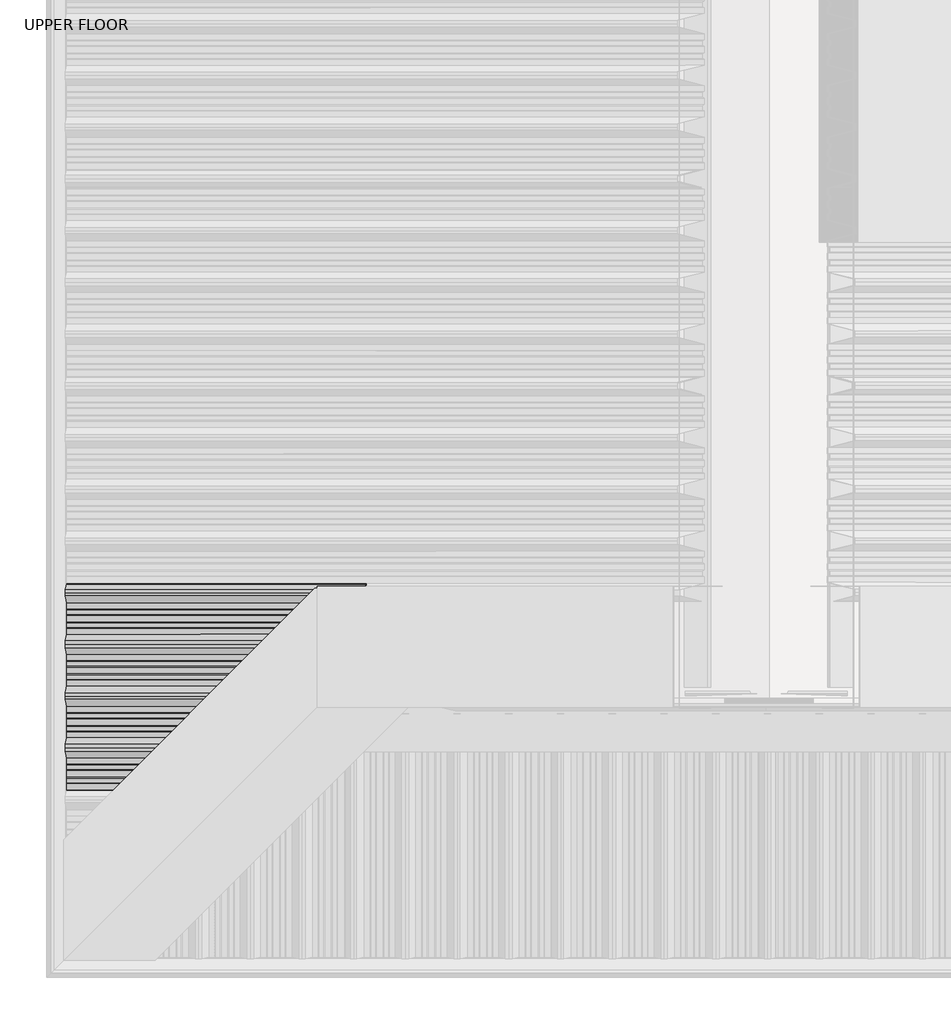
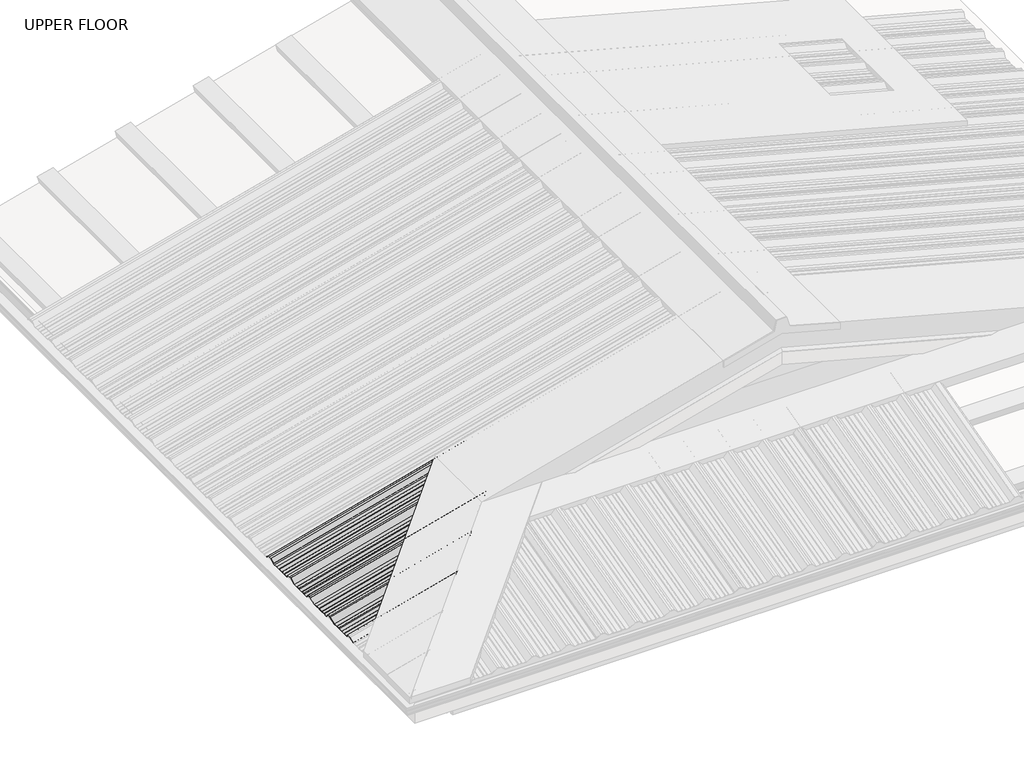
# One storey, part 3 of 8: 1 beam.
"""IFC4 building model written with IfcOpenShell, lengths in millimetres."""

from ifc_helpers import new_model, si_unit, frame, origin, place, context, project, spatial, circle_curve, ellipse_curve, element, save
from ifc_brep_helpers import plane_surface, cylinder_surface, advanced_brep

model = new_model("IFC4")

# Units and contexts
model_context = context("Model", 3, world=origin())
ifc_project = project(units=[si_unit("LENGTHUNIT", "METRE", prefix="MILLI")], contexts=[model_context])

# Site, building, storey
site = spatial("IfcSite", under=ifc_project)
building = spatial("IfcBuilding", under=site)
storey = spatial("IfcBuildingStorey", under=building, Name="UPPER FLOOR", Elevation=2700.0)

# Beam
placement = place(None, origin())
element("IfcBeam", 1, ObjectType="MC770", at=placement, inside=storey, context=model_context, shape_type="AdvancedBrep", body=[
    advanced_brep(
    [(513.0532022, -3545.0159364, 3562.3168455), (506.323907, -3519.4415222, 3587.430917), (506.323907, -3507.5160332, 3587.430917), (506.323907, -3495.5905442, 3587.430917), (513.0532022, -3470.0161299, 3562.3168455), (513.0532022, -3447.318475, 3562.3168455), (512.5251527, -3444.1034308, 3564.2875528), (512.5251527, -3427.6754395, 3564.2875528), (513.0532022, -3423.2951218, 3562.3168455), (513.0532022, -3399.2369445, 3562.3168455), (512.5251527, -3394.8566268, 3564.2875528), (512.5251527, -3378.4286356, 3564.2875528), (513.0532022, -3375.2135914, 3562.3168455), (513.0532022, -3352.5159364, 3562.3168455), (506.323907, -3326.9415222, 3587.430917), (506.323907, -3315.0160332, 3587.430917), (506.323907, -3303.0905442, 3587.430917), (511.4117811, -3283.7542842, 3568.4427122), (511.2084788, -3282.9687842, 3569.2014469), (506.0650879, -3302.5160332, 3588.3968428), (506.0650879, -3315.0160332, 3588.3968428), (506.0650879, -3327.5160332, 3588.3968428), (512.7943831, -3353.0904474, 3563.2827713), (512.7943831, -3374.9230769, 3563.2827713), (512.2663337, -3378.1381211, 3565.2534786), (512.2663337, -3395.0780903, 3565.2534786), (512.7943831, -3399.4584081, 3563.2827713), (512.7943831, -3423.0736583, 3563.2827713), (512.2663337, -3427.453976, 3565.2534786), (512.2663337, -3444.3939453, 3565.2534786), (512.7943831, -3447.6089895, 3563.2827713), (512.7943831, -3469.4416189, 3563.2827713), (506.0650879, -3495.0160332, 3588.3968428), (506.0650879, -3507.5160332, 3588.3968428), (506.0650879, -3520.0160332, 3588.3968428), (512.7943831, -3545.5904474, 3563.2827713), (512.7943831, -3562.5821881, 3563.2827713), (513.0532022, -3562.323369, 3562.3168455), (-602.6889742, -3930.0159364, 3263.3546304), (-602.6889742, -3952.7135914, 3263.3546304), (-603.2170236, -3955.9286356, 3265.3253377), (-603.2170236, -3972.3566268, 3265.3253377), (-602.6889742, -3976.7369445, 3263.3546304), (-602.6889742, -4000.7951218, 3263.3546304), (-603.2170236, -4005.1754395, 3265.3253377), (-603.2170236, -4021.6034308, 3265.3253377), (-602.6889742, -4024.818475, 3263.3546304), (-602.6889742, -4050.3215037, 3263.3546304), (-608.9006313, -4073.9286553, 3286.5368502), (-608.9006313, -4096.103411, 3286.5368502), (-603.675657, -4115.9607143, 3267.0369809), (-603.858676, -4116.6678451, 3267.7200169), (-609.1594503, -4096.5224666, 3287.5027761), (-609.1594503, -4073.5095998, 3287.5027761), (-602.9477932, -4049.9024481, 3264.3205562), (-602.9477932, -4025.1089895, 3264.3205562), (-603.4758427, -4021.8939453, 3266.2912635), (-603.4758427, -4004.953976, 3266.2912635), (-602.9477932, -4000.5736583, 3264.3205562), (-602.9477932, -3976.9584081, 3264.3205562), (-603.4758427, -3972.5780903, 3266.2912635), (-603.4758427, -3955.6381211, 3266.2912635), (-602.9477932, -3952.4230769, 3264.3205562), (-602.9477932, -3930.5904474, 3264.3205562), (-609.6770884, -3905.0160332, 3289.4346277), (-609.6770884, -3892.5160332, 3289.4346277), (-609.6770884, -3880.0160332, 3289.4346277), (-602.9477932, -3854.4416189, 3264.3205562), (-602.9477932, -3832.6089895, 3264.3205562), (-603.4758427, -3829.3939453, 3266.2912635), (-603.4758427, -3812.453976, 3266.2912635), (-602.9477932, -3808.0736583, 3264.3205562), (-602.9477932, -3784.4584081, 3264.3205562), (-603.4758427, -3780.0780903, 3266.2912635), (-603.4758427, -3763.1381211, 3266.2912635), (-602.9477932, -3759.9230769, 3264.3205562), (-602.9477932, -3738.0904474, 3264.3205562), (-609.6770884, -3712.5160332, 3289.4346277), (-609.6770884, -3700.0160332, 3289.4346277), (-609.6770884, -3687.5160332, 3289.4346277), (-602.9477932, -3661.9416189, 3264.3205562), (-602.9477932, -3640.1089895, 3264.3205562), (-603.4758427, -3636.8939453, 3266.2912635), (-603.4758427, -3619.953976, 3266.2912635), (-602.9477932, -3615.5736583, 3264.3205562), (-602.9477932, -3591.9584081, 3264.3205562), (-603.4758427, -3587.5780903, 3266.2912635), (-603.4758427, -3570.6381211, 3266.2912635), (-602.9477932, -3567.4230769, 3264.3205562), (-602.9477932, -3545.5904474, 3264.3205562), (-609.6770884, -3520.0160332, 3289.4346277), (-609.6770884, -3507.5160332, 3289.4346277), (-609.6770884, -3495.0160332, 3289.4346277), (-602.9477932, -3469.4416189, 3264.3205562), (-602.9477932, -3447.6089895, 3264.3205562), (-603.4758427, -3444.3939453, 3266.2912635), (-603.4758427, -3427.453976, 3266.2912635), (-602.9477932, -3423.0736583, 3264.3205562), (-602.9477932, -3399.4584081, 3264.3205562), (-603.4758427, -3395.0780903, 3266.2912635), (-603.4758427, -3378.1381211, 3266.2912635), (-602.9477932, -3374.9230769, 3264.3205562), (-602.9477932, -3353.0904474, 3264.3205562), (-609.6770884, -3327.5160332, 3289.4346277), (-609.6770884, -3315.0160332, 3289.4346277), (-609.6770884, -3302.5160332, 3289.4346277), (-604.5336976, -3282.9687842, 3270.2392318), (-604.3303952, -3283.7542842, 3269.4804971), (-609.4182694, -3303.0905442, 3288.4687019), (-609.4182694, -3315.0160332, 3288.4687019), (-609.4182694, -3326.9415222, 3288.4687019), (-602.6889742, -3352.5159364, 3263.3546304), (-602.6889742, -3375.2135914, 3263.3546304), (-603.2170236, -3378.4286356, 3265.3253377), (-603.2170236, -3394.8566268, 3265.3253377), (-602.6889742, -3399.2369445, 3263.3546304), (-602.6889742, -3423.2951218, 3263.3546304), (-603.2170236, -3427.6754395, 3265.3253377), (-603.2170236, -3444.1034308, 3265.3253377), (-602.6889742, -3447.318475, 3263.3546304), (-602.6889742, -3470.0161299, 3263.3546304), (-609.4182694, -3495.5905442, 3288.4687019), (-609.4182694, -3507.5160332, 3288.4687019), (-609.4182694, -3519.4415222, 3288.4687019), (-602.6889742, -3545.0159364, 3263.3546304), (-602.6889742, -3567.7135914, 3263.3546304), (-603.2170236, -3570.9286356, 3265.3253377), (-603.2170236, -3587.3566268, 3265.3253377), (-602.6889742, -3591.7369445, 3263.3546304), (-602.6889742, -3615.7951218, 3263.3546304), (-603.2170236, -3620.1754395, 3265.3253377), (-603.2170236, -3636.6034308, 3265.3253377), (-602.6889742, -3639.818475, 3263.3546304), (-602.6889742, -3662.5161299, 3263.3546304), (-609.4182694, -3688.0905442, 3288.4687019), (-609.4182694, -3700.0160332, 3288.4687019), (-609.4182694, -3711.9415222, 3288.4687019), (-602.6889742, -3737.5159364, 3263.3546304), (-602.6889742, -3760.2135914, 3263.3546304), (-603.2170236, -3763.4286356, 3265.3253377), (-603.2170236, -3779.8566268, 3265.3253377), (-602.6889742, -3784.2369445, 3263.3546304), (-602.6889742, -3808.2951218, 3263.3546304), (-603.2170236, -3812.6754395, 3265.3253377), (-603.2170236, -3829.1034308, 3265.3253377), (-602.6889742, -3832.318475, 3263.3546304), (-602.6889742, -3855.0161299, 3263.3546304), (-609.4182694, -3880.5905442, 3288.4687019), (-609.4182694, -3892.5160332, 3288.4687019), (-609.4182694, -3904.4415222, 3288.4687019), (315.1629798, -3760.2135914, 3509.2923202), (311.9479357, -3763.4286356, 3510.5430495), (337.8606348, -3737.5159364, 3515.3741386), (363.435049, -3711.9415222, 3549.1439629), (375.360538, -3700.0160332, 3552.339388), (387.286027, -3688.0905442, 3555.5348132), (412.8604413, -3662.5161299, 3535.4702761), (435.5580963, -3639.818475, 3541.5520945), (438.7731404, -3636.6034308, 3544.5257607), (455.2011317, -3620.1754395, 3548.9276277), (459.5814494, -3615.7951218, 3547.9891325), (483.6396267, -3591.7369445, 3554.4355017), (488.0199444, -3587.3566268, 3557.721402), (504.4479357, -3570.9286356, 3562.123269), (507.6629798, -3567.7135914, 3560.8725398), (507.9534943, -3567.4230769, 3561.9856591), (504.7384502, -3570.6381211, 3563.2363883), (487.7984809, -3587.5780903, 3558.6973372), (483.4181632, -3591.9584081, 3555.4114369), (459.8029129, -3615.5736583, 3549.0837497), (455.4225952, -3619.953976, 3550.0222448), (438.4826259, -3636.8939453, 3545.4831937), (435.2675818, -3640.1089895, 3542.5095275), (413.4349523, -3661.9416189, 3536.6594921), (387.860538, -3687.5160332, 3556.7240291), (375.360538, -3700.0160332, 3553.3746642), (362.860538, -3712.5160332, 3550.0252993), (337.2861238, -3738.0904474, 3516.255475), (315.4534943, -3759.9230769, 3510.4054396), (312.2384502, -3763.1381211, 3511.6561688), (295.2984809, -3780.0780903, 3507.1171177), (290.9181632, -3784.4584081, 3503.8312174), (267.3029129, -3808.0736583, 3497.5035302), (262.9225952, -3812.453976, 3498.4420253), (245.9826259, -3829.3939453, 3493.9029742), (242.7675818, -3832.6089895, 3490.929308), (220.9349523, -3854.4416189, 3485.0792725), (195.360538, -3880.0160332, 3505.1438096), (182.860538, -3892.5160332, 3501.7944447), (170.360538, -3905.0160332, 3498.4450798), (144.7861238, -3930.5904474, 3464.6752554), (122.9534943, -3952.4230769, 3458.82522), (119.7384502, -3955.6381211, 3460.0759492), (102.7984809, -3972.5780903, 3455.5368981), (98.4181632, -3976.9584081, 3452.2509978), (74.8029129, -4000.5736583, 3445.9233106), (70.4225952, -4004.953976, 3446.8618057), (53.4826259, -4021.8939453, 3442.3227546), (50.2675818, -4025.1089895, 3439.3490884), (25.4741231, -4049.9024481, 3432.7057012), (1.8669715, -4073.5095998, 3451.2268123), (-21.1458954, -4096.5224666, 3445.0605332), (-41.2912739, -4116.6678451, 3418.459498), (-40.5841431, -4115.9607143, 3417.9168974), (-20.7268398, -4096.103411, 3444.1375427), (1.4479159, -4073.9286553, 3450.0792505), (25.0550675, -4050.3215037, 3431.5581394), (50.5580963, -4024.818475, 3438.3916554), (53.7731404, -4021.6034308, 3441.3653216), (70.2011317, -4005.1754395, 3445.7671886), (74.5814494, -4000.7951218, 3444.8286935), (98.6396267, -3976.7369445, 3451.2750626), (103.0199444, -3972.3566268, 3454.5609629), (119.4479357, -3955.9286356, 3458.9628299), (122.6629798, -3952.7135914, 3457.7121007), (145.3606348, -3930.0159364, 3463.793919), (170.935049, -3904.4415222, 3497.5637434), (182.860538, -3892.5160332, 3500.7591685), (194.786027, -3880.5905442, 3503.9545937), (220.3604413, -3855.0161299, 3483.8900566), (243.0580963, -3832.318475, 3489.9718749), (246.2731404, -3829.1034308, 3492.9455411), (262.7011317, -3812.6754395, 3497.3474081), (267.0814494, -3808.2951218, 3496.408913), (291.1396267, -3784.2369445, 3502.8552822), (295.5199444, -3779.8566268, 3506.1411825)],
    [
        (0, 1),
        (1, 2),
        (2, 3),
        (3, 4),
        (4, 5),
        (5, 6),
        (6, 7),
        (7, 8),
        (8, 9),
        (9, 10),
        (10, 11),
        (11, 12),
        (12, 13),
        (13, 14),
        (14, 15),
        (15, 16),
        (16, 17),
        (17, 18, circle_curve(frame((511.3092911, -3283.3647751, 3568.82521), z_axis=(0.9659258262890683, 0.0, 0.2588190451025208), x_axis=(0.0, 1.0, 0.0)), 0.5554513)),
        (18, 19),
        (19, 20),
        (20, 21),
        (21, 22),
        (22, 23),
        (23, 24),
        (24, 25),
        (25, 26),
        (26, 27),
        (27, 28),
        (28, 29),
        (29, 30),
        (30, 31),
        (31, 32),
        (32, 33),
        (33, 34),
        (34, 35),
        (35, 36),
        (36, 37),
        (37, 0),
        (38, 39),
        (39, 40),
        (40, 41),
        (41, 42),
        (42, 43),
        (43, 44),
        (44, 45),
        (45, 46),
        (46, 47),
        (47, 48),
        (48, 49),
        (49, 50),
        (50, 51, circle_curve(frame((-603.7679216, -4116.3113621, 3267.3813171), z_axis=(-0.9659258262890683, 0.0, -0.2588190451025208), x_axis=(0.0, 1.0, 0.0)), 0.500034)),
        (51, 52),
        (52, 53),
        (53, 54),
        (54, 55),
        (55, 56),
        (56, 57),
        (57, 58),
        (58, 59),
        (59, 60),
        (60, 61),
        (61, 62),
        (62, 63),
        (63, 64),
        (64, 65),
        (65, 66),
        (66, 67),
        (67, 68),
        (68, 69),
        (69, 70),
        (70, 71),
        (71, 72),
        (72, 73),
        (73, 74),
        (74, 75),
        (75, 76),
        (76, 77),
        (77, 78),
        (78, 79),
        (79, 80),
        (80, 81),
        (81, 82),
        (82, 83),
        (83, 84),
        (84, 85),
        (85, 86),
        (86, 87),
        (87, 88),
        (88, 89),
        (89, 90),
        (90, 91),
        (91, 92),
        (92, 93),
        (93, 94),
        (94, 95),
        (95, 96),
        (96, 97),
        (97, 98),
        (98, 99),
        (99, 100),
        (100, 101),
        (101, 102),
        (102, 103),
        (103, 104),
        (104, 105),
        (105, 106),
        (106, 107, circle_curve(frame((-604.4328852, -3283.3647751, 3269.8629949), z_axis=(-0.9659258262890683, 0.0, -0.2588190451025208), x_axis=(0.0, 1.0, 0.0)), 0.5554513)),
        (107, 108),
        (108, 109),
        (109, 110),
        (110, 111),
        (111, 112),
        (112, 113),
        (113, 114),
        (114, 115),
        (115, 116),
        (116, 117),
        (117, 118),
        (118, 119),
        (119, 120),
        (120, 121),
        (121, 122),
        (122, 123),
        (123, 124),
        (124, 125),
        (125, 126),
        (126, 127),
        (127, 128),
        (128, 129),
        (129, 130),
        (130, 131),
        (131, 132),
        (132, 133),
        (133, 134),
        (134, 135),
        (135, 136),
        (136, 137),
        (137, 138),
        (138, 139),
        (139, 140),
        (140, 141),
        (141, 142),
        (142, 143),
        (143, 144),
        (144, 145),
        (145, 146),
        (146, 147),
        (147, 148),
        (148, 149),
        (149, 38),
        (138, 150),
        (150, 151),
        (151, 139),
        (137, 152),
        (152, 150),
        (136, 153),
        (153, 152),
        (135, 154),
        (154, 153),
        (134, 155),
        (155, 154),
        (133, 156),
        (156, 155),
        (132, 157),
        (157, 156),
        (131, 158),
        (158, 157),
        (130, 159),
        (159, 158),
        (129, 160),
        (160, 159),
        (128, 161),
        (161, 160),
        (127, 162),
        (162, 161),
        (126, 163),
        (163, 162),
        (125, 164),
        (164, 163),
        (124, 0),
        (37, 164),
        (123, 1),
        (122, 2),
        (121, 3),
        (120, 4),
        (119, 5),
        (118, 6),
        (117, 7),
        (116, 8),
        (115, 9),
        (114, 10),
        (113, 11),
        (112, 12),
        (111, 13),
        (110, 14),
        (109, 15),
        (108, 16),
        (107, 17),
        (106, 18),
        (105, 19),
        (104, 20),
        (103, 21),
        (102, 22),
        (101, 23),
        (100, 24),
        (99, 25),
        (98, 26),
        (97, 27),
        (96, 28),
        (95, 29),
        (94, 30),
        (93, 31),
        (92, 32),
        (91, 33),
        (90, 34),
        (89, 35),
        (88, 165),
        (165, 36),
        (87, 166),
        (166, 165),
        (86, 167),
        (167, 166),
        (85, 168),
        (168, 167),
        (84, 169),
        (169, 168),
        (83, 170),
        (170, 169),
        (82, 171),
        (171, 170),
        (81, 172),
        (172, 171),
        (80, 173),
        (173, 172),
        (79, 174),
        (174, 173),
        (78, 175),
        (175, 174),
        (77, 176),
        (176, 175),
        (76, 177),
        (177, 176),
        (75, 178),
        (178, 177),
        (74, 179),
        (179, 178),
        (73, 180),
        (180, 179),
        (72, 181),
        (181, 180),
        (71, 182),
        (182, 181),
        (70, 183),
        (183, 182),
        (69, 184),
        (184, 183),
        (68, 185),
        (185, 184),
        (67, 186),
        (186, 185),
        (66, 187),
        (187, 186),
        (65, 188),
        (188, 187),
        (64, 189),
        (189, 188),
        (63, 190),
        (190, 189),
        (62, 191),
        (191, 190),
        (61, 192),
        (192, 191),
        (60, 193),
        (193, 192),
        (59, 194),
        (194, 193),
        (58, 195),
        (195, 194),
        (57, 196),
        (196, 195),
        (56, 197),
        (197, 196),
        (55, 198),
        (198, 197),
        (54, 199),
        (199, 198),
        (53, 200),
        (200, 199),
        (52, 201),
        (201, 200),
        (51, 202),
        (202, 201),
        (50, 203),
        (203, 202, ellipse_curve(frame((-40.9347909, -4116.3113621, 3418.1919999), z_axis=(-0.7071067811865475, 0.7071067811865476, 0.0), x_axis=(0.6612248329466448, 0.6612248329466447, 0.3543493200069156)), 0.7321007, 0.500034)),
        (49, 204),
        (204, 203),
        (48, 205),
        (205, 204),
        (47, 206),
        (206, 205),
        (46, 207),
        (207, 206),
        (45, 208),
        (208, 207),
        (44, 209),
        (209, 208),
        (43, 210),
        (210, 209),
        (42, 211),
        (211, 210),
        (41, 212),
        (212, 211),
        (40, 213),
        (213, 212),
        (39, 214),
        (214, 213),
        (38, 215),
        (215, 214),
        (149, 216),
        (216, 215),
        (148, 217),
        (217, 216),
        (147, 218),
        (218, 217),
        (146, 219),
        (219, 218),
        (145, 220),
        (220, 219),
        (144, 221),
        (221, 220),
        (143, 222),
        (222, 221),
        (142, 223),
        (223, 222),
        (141, 224),
        (224, 223),
        (140, 225),
        (225, 224),
        (151, 225),
    ],
    [
        plane_surface(frame((513.0532022, -3930.0159364, 3562.3168455), z_axis=(0.9659258262890684, 0.0, 0.2588190451025208), x_axis=(-0.18451661822206494, 0.701247947787027, 0.6886253940455405))),
        plane_surface(frame((-602.6889742, -3930.0159364, 3263.3546304), z_axis=(-0.9659258262890684, 0.0, -0.2588190451025208), x_axis=(0.18451661822206494, -0.701247947787027, -0.6886253940455405))),
        plane_surface(frame((512.5251527, -3763.4286356, 3564.2875528), z_axis=(0.2185313076918745, -0.5358075541289664, -0.8155699433505468), x_axis=(-0.9659258262890683, 0.0, -0.2588190451025208))),
        plane_surface(frame((513.0532022, -3760.2135914, 3562.3168455), z_axis=(0.2588190451025208, 0.0, -0.9659258262890683), x_axis=(-0.9659258262890683, 0.0, -0.2588190451025208))),
        plane_surface(frame((513.0532022, -3737.5159364, 3562.3168455), z_axis=(0.18149632422634646, 0.7129174676808379, -0.6773535033997141), x_axis=(-0.9659258262890683, 0.0, -0.2588190451025208))),
        plane_surface(frame((506.323907, -3711.9415222, 3587.430917), z_axis=(0.2588190451025208, 0.0, -0.9659258262890683), x_axis=(-0.9659258262890683, 0.0, -0.2588190451025208))),
        plane_surface(frame((506.323907, -3700.0160332, 3587.430917), z_axis=(0.25881904510252085, 0.0, -0.9659258262890683), x_axis=(-0.9659258262890683, 0.0, -0.25881904510252085))),
        plane_surface(frame((506.323907, -3688.0905442, 3587.430917), z_axis=(0.18149632422633932, -0.7129174676808558, -0.6773535033996971), x_axis=(-0.9659258262890683, 0.0, -0.25881904510252085))),
        plane_surface(frame((513.0532022, -3662.5161299, 3562.3168455), z_axis=(0.2588190451025208, 0.0, -0.9659258262890683), x_axis=(-0.9659258262890683, 0.0, -0.2588190451025208))),
        plane_surface(frame((513.0532022, -3639.818475, 3562.3168455), z_axis=(0.21853130769187762, 0.5358075541289586, -0.815569943350551), x_axis=(-0.9659258262890683, 0.0, -0.25881904510252074))),
        plane_surface(frame((512.5251527, -3636.6034308, 3564.2875528), z_axis=(0.2588190451025208, 0.0, -0.9659258262890683), x_axis=(-0.9659258262890683, 0.0, -0.2588190451025208))),
        plane_surface(frame((512.5251527, -3620.1754395, 3564.2875528), z_axis=(0.23461789175161413, -0.42221886042245477, -0.8756058923817219), x_axis=(-0.9659258262890683, 0.0, -0.2588190451025208))),
        plane_surface(frame((513.0532022, -3615.7951218, 3562.3168455), z_axis=(0.2588190451025208, 0.0, -0.9659258262890683), x_axis=(-0.9659258262890683, 0.0, -0.2588190451025208))),
        plane_surface(frame((513.0532022, -3591.7369445, 3562.3168455), z_axis=(0.2346178917516172, 0.42221886042244255, -0.8756058923817271), x_axis=(-0.9659258262890683, 0.0, -0.25881904510252085))),
        plane_surface(frame((512.5251527, -3587.3566268, 3564.2875528), z_axis=(0.2588190451025208, 0.0, -0.9659258262890683), x_axis=(-0.9659258262890683, 0.0, -0.2588190451025208))),
        plane_surface(frame((512.5251527, -3570.9286356, 3564.2875528), z_axis=(0.21853130769187556, -0.5358075541289601, -0.8155699433505508), x_axis=(-0.9659258262890683, 0.0, -0.25881904510252085))),
        plane_surface(frame((513.0532022, -3567.7135914, 3562.3168455), z_axis=(0.2588190451025208, 0.0, -0.9659258262890683), x_axis=(-0.9659258262890683, 0.0, -0.2588190451025208))),
        plane_surface(frame((513.0532022, -3545.0159364, 3562.3168455), z_axis=(0.18149632422634204, 0.7129174676808547, -0.6773535033996975), x_axis=(-0.9659258262890683, 0.0, -0.2588190451025208))),
        plane_surface(frame((506.323907, -3519.4415222, 3587.430917), z_axis=(0.2588190451025208, 0.0, -0.9659258262890683), x_axis=(-0.9659258262890683, 0.0, -0.2588190451025208))),
        plane_surface(frame((506.323907, -3507.5160332, 3587.430917), z_axis=(0.2588190451025208, 0.0, -0.9659258262890683), x_axis=(-0.9659258262890683, 0.0, -0.2588190451025208))),
        plane_surface(frame((506.323907, -3495.5905442, 3587.430917), z_axis=(0.18149632422634027, -0.7129174676808522, -0.6773535033997008), x_axis=(-0.9659258262890683, 0.0, -0.25881904510252085))),
        plane_surface(frame((513.0532022, -3470.0161299, 3562.3168455), z_axis=(0.25881904510252074, 0.0, -0.9659258262890683), x_axis=(-0.9659258262890683, 0.0, -0.25881904510252074))),
        plane_surface(frame((513.0532022, -3447.318475, 3562.3168455), z_axis=(0.21853130769187765, 0.5358075541289586, -0.815569943350551), x_axis=(-0.9659258262890683, 0.0, -0.25881904510252085))),
        plane_surface(frame((512.5251527, -3444.1034308, 3564.2875528), z_axis=(0.25881904510252074, 0.0, -0.9659258262890683), x_axis=(-0.9659258262890683, 0.0, -0.25881904510252074))),
        plane_surface(frame((512.5251527, -3427.6754395, 3564.2875528), z_axis=(0.23461789175161538, -0.422218860422444, -0.8756058923817268), x_axis=(-0.9659258262890683, 0.0, -0.25881904510252074))),
        plane_surface(frame((513.0532022, -3423.2951218, 3562.3168455), z_axis=(0.2588190451025208, 0.0, -0.9659258262890683), x_axis=(-0.9659258262890683, 0.0, -0.2588190451025208))),
        plane_surface(frame((513.0532022, -3399.2369445, 3562.3168455), z_axis=(0.2346178917516171, 0.42221886042244255, -0.875605892381727), x_axis=(-0.9659258262890683, 0.0, -0.25881904510252085))),
        plane_surface(frame((512.5251527, -3394.8566268, 3564.2875528), z_axis=(0.25881904510252085, 0.0, -0.9659258262890683), x_axis=(-0.9659258262890683, 0.0, -0.25881904510252085))),
        plane_surface(frame((512.5251527, -3378.4286356, 3564.2875528), z_axis=(0.2185313076918756, -0.5358075541289601, -0.8155699433505507), x_axis=(-0.9659258262890683, 0.0, -0.2588190451025208))),
        plane_surface(frame((513.0532022, -3375.2135914, 3562.3168455), z_axis=(0.25881904510252074, 0.0, -0.9659258262890683), x_axis=(-0.9659258262890683, 0.0, -0.25881904510252074))),
        plane_surface(frame((513.0532022, -3352.5159364, 3562.3168455), z_axis=(0.18149632422634257, 0.712917467680853, -0.6773535033996995), x_axis=(-0.9659258262890683, 0.0, -0.25881904510252085))),
        plane_surface(frame((506.323907, -3326.9415222, 3587.430917), z_axis=(0.25881904510252074, 0.0, -0.9659258262890683), x_axis=(-0.9659258262890683, 0.0, -0.25881904510252074))),
        plane_surface(frame((506.323907, -3315.0160332, 3587.430917), z_axis=(0.2588190451025208, 0.0, -0.9659258262890683), x_axis=(-0.9659258262890683, 0.0, -0.2588190451025208))),
        plane_surface(frame((506.323907, -3303.0905442, 3587.430917), z_axis=(0.18149632422633402, -0.7129174676808756, -0.6773535033996778), x_axis=(-0.9659258262890683, 0.0, -0.2588190451025208))),
        cylinder_surface(frame((-604.4328852, -3283.3647751, 3269.8629949), z_axis=(0.9659258262890683, 0.0, 0.2588190451025208), x_axis=(0.0, 1.0, 0.0)), 0.5554513),
        plane_surface(frame((511.2084788, -3282.9687842, 3569.2014469), z_axis=(-0.18149632422632994, 0.7129174676808914, 0.6773535033996623), x_axis=(-0.9659258262890683, 0.0, -0.2588190451025208))),
        plane_surface(frame((506.0650879, -3302.5160332, 3588.3968428), z_axis=(-0.2588190451025208, 0.0, 0.9659258262890683), x_axis=(-0.9659258262890683, 0.0, -0.2588190451025208))),
        plane_surface(frame((506.0650879, -3315.0160332, 3588.3968428), z_axis=(-0.2588190451025208, 0.0, 0.9659258262890683), x_axis=(-0.9659258262890683, 0.0, -0.2588190451025208))),
        plane_surface(frame((506.0650879, -3327.5160332, 3588.3968428), z_axis=(-0.18149632422634235, -0.7129174676808534, 0.6773535033996989), x_axis=(-0.9659258262890683, 0.0, -0.25881904510252074))),
        plane_surface(frame((512.7943831, -3353.0904474, 3563.2827713), z_axis=(-0.2588190451025208, 0.0, 0.9659258262890683), x_axis=(-0.9659258262890683, 0.0, -0.2588190451025208))),
        plane_surface(frame((512.7943831, -3374.9230769, 3563.2827713), z_axis=(-0.21853130769187457, 0.5358075541289664, 0.8155699433505468), x_axis=(-0.9659258262890683, 0.0, -0.25881904510252074))),
        plane_surface(frame((512.2663337, -3378.1381211, 3565.2534786), z_axis=(-0.25881904510252085, 0.0, 0.9659258262890683), x_axis=(-0.9659258262890683, 0.0, -0.25881904510252085))),
        plane_surface(frame((512.2663337, -3395.0780903, 3565.2534786), z_axis=(-0.2346178917516165, -0.42221886042244827, 0.8756058923817245), x_axis=(-0.9659258262890683, 0.0, -0.25881904510252085))),
        plane_surface(frame((512.7943831, -3399.4584081, 3563.2827713), z_axis=(-0.25881904510252074, 0.0, 0.9659258262890683), x_axis=(-0.9659258262890683, 0.0, -0.25881904510252074))),
        plane_surface(frame((512.7943831, -3423.0736583, 3563.2827713), z_axis=(-0.23461789175161482, 0.4222188604224497, 0.8756058923817241), x_axis=(-0.9659258262890683, 0.0, -0.2588190451025208))),
        plane_surface(frame((512.2663337, -3427.453976, 3565.2534786), z_axis=(-0.25881904510252074, 0.0, 0.9659258262890683), x_axis=(-0.9659258262890683, 0.0, -0.25881904510252074))),
        plane_surface(frame((512.2663337, -3444.3939453, 3565.2534786), z_axis=(-0.2185313076918766, -0.535807554128965, 0.8155699433505472), x_axis=(-0.9659258262890683, 0.0, -0.25881904510252085))),
        plane_surface(frame((512.7943831, -3447.6089895, 3563.2827713), z_axis=(-0.25881904510252085, 0.0, 0.9659258262890683), x_axis=(-0.9659258262890683, 0.0, -0.25881904510252085))),
        plane_surface(frame((512.7943831, -3469.4416189, 3563.2827713), z_axis=(-0.1814963242263403, 0.7129174676808526, 0.6773535033997005), x_axis=(-0.9659258262890683, 0.0, -0.25881904510252085))),
        plane_surface(frame((506.0650879, -3495.0160332, 3588.3968428), z_axis=(-0.2588190451025208, 0.0, 0.9659258262890683), x_axis=(-0.9659258262890683, 0.0, -0.2588190451025208))),
        plane_surface(frame((506.0650879, -3507.5160332, 3588.3968428), z_axis=(-0.25881904510252085, 0.0, 0.9659258262890683), x_axis=(-0.9659258262890683, 0.0, -0.25881904510252085))),
        plane_surface(frame((506.0650879, -3520.0160332, 3588.3968428), z_axis=(-0.18149632422634207, -0.7129174676808547, 0.6773535033996975), x_axis=(-0.9659258262890683, 0.0, -0.25881904510252085))),
        plane_surface(frame((512.7943831, -3545.5904474, 3563.2827713), z_axis=(-0.25881904510252074, 0.0, 0.9659258262890683), x_axis=(-0.9659258262890683, 0.0, -0.25881904510252074))),
        plane_surface(frame((512.7943831, -3567.4230769, 3563.2827713), z_axis=(-0.2185313076918755, 0.5358075541289601, 0.8155699433505507), x_axis=(-0.9659258262890683, 0.0, -0.25881904510252074))),
        plane_surface(frame((512.2663337, -3570.6381211, 3565.2534786), z_axis=(-0.25881904510252085, 0.0, 0.9659258262890683), x_axis=(-0.9659258262890683, 0.0, -0.25881904510252085))),
        plane_surface(frame((512.2663337, -3587.5780903, 3565.2534786), z_axis=(-0.23461789175161712, -0.42221886042244255, 0.875605892381727), x_axis=(-0.9659258262890683, 0.0, -0.2588190451025208))),
        plane_surface(frame((512.7943831, -3591.9584081, 3563.2827713), z_axis=(-0.25881904510252085, 0.0, 0.9659258262890683), x_axis=(-0.9659258262890683, 0.0, -0.25881904510252085))),
        plane_surface(frame((512.7943831, -3615.5736583, 3563.2827713), z_axis=(-0.23461789175161415, 0.42221886042245477, 0.8756058923817219), x_axis=(-0.9659258262890683, 0.0, -0.2588190451025208))),
        plane_surface(frame((512.2663337, -3619.953976, 3565.2534786), z_axis=(-0.2588190451025208, 0.0, 0.9659258262890683), x_axis=(-0.9659258262890683, 0.0, -0.2588190451025208))),
        plane_surface(frame((512.2663337, -3636.8939453, 3565.2534786), z_axis=(-0.21853130769187767, -0.5358075541289586, 0.815569943350551), x_axis=(-0.9659258262890683, 0.0, -0.2588190451025208))),
        plane_surface(frame((512.7943831, -3640.1089895, 3563.2827713), z_axis=(-0.25881904510252085, 0.0, 0.9659258262890683), x_axis=(-0.9659258262890683, 0.0, -0.25881904510252085))),
        plane_surface(frame((512.7943831, -3661.9416189, 3563.2827713), z_axis=(-0.18149632422633924, 0.7129174676808558, 0.6773535033996971), x_axis=(-0.9659258262890683, 0.0, -0.2588190451025208))),
        plane_surface(frame((506.0650879, -3687.5160332, 3588.3968428), z_axis=(-0.2588190451025208, 0.0, 0.9659258262890683), x_axis=(-0.9659258262890683, 0.0, -0.2588190451025208))),
        plane_surface(frame((506.0650879, -3700.0160332, 3588.3968428), z_axis=(-0.2588190451025208, 0.0, 0.9659258262890683), x_axis=(-0.9659258262890683, 0.0, -0.2588190451025208))),
        plane_surface(frame((506.0650879, -3712.5160332, 3588.3968428), z_axis=(-0.18149632422634648, -0.7129174676808377, 0.6773535033997141), x_axis=(-0.9659258262890683, 0.0, -0.2588190451025208))),
        plane_surface(frame((512.7943831, -3738.0904474, 3563.2827713), z_axis=(-0.2588190451025208, 0.0, 0.9659258262890683), x_axis=(-0.9659258262890683, 0.0, -0.2588190451025208))),
        plane_surface(frame((512.7943831, -3759.9230769, 3563.2827713), z_axis=(-0.21853130769187454, 0.5358075541289664, 0.8155699433505468), x_axis=(-0.9659258262890683, 0.0, -0.2588190451025208))),
        plane_surface(frame((512.2663337, -3763.1381211, 3565.2534786), z_axis=(-0.2588190451025208, 0.0, 0.9659258262890683), x_axis=(-0.9659258262890683, 0.0, -0.2588190451025208))),
        plane_surface(frame((512.2663337, -3780.0780903, 3565.2534786), z_axis=(-0.23461789175161646, -0.4222188604224483, 0.8756058923817245), x_axis=(-0.9659258262890683, 0.0, -0.2588190451025208))),
        plane_surface(frame((512.7943831, -3784.4584081, 3563.2827713), z_axis=(-0.2588190451025208, 0.0, 0.9659258262890683), x_axis=(-0.9659258262890683, 0.0, -0.2588190451025208))),
        plane_surface(frame((512.7943831, -3808.0736583, 3563.2827713), z_axis=(-0.23461789175161477, 0.4222188604224497, 0.8756058923817241), x_axis=(-0.9659258262890683, 0.0, -0.2588190451025208))),
        plane_surface(frame((512.2663337, -3812.453976, 3565.2534786), z_axis=(-0.2588190451025208, 0.0, 0.9659258262890683), x_axis=(-0.9659258262890683, 0.0, -0.2588190451025208))),
        plane_surface(frame((512.2663337, -3829.3939453, 3565.2534786), z_axis=(-0.21853130769187729, -0.5358075541289609, 0.8155699433505497), x_axis=(-0.9659258262890683, 0.0, -0.2588190451025208))),
        plane_surface(frame((512.7943831, -3832.6089895, 3563.2827713), z_axis=(-0.2588190451025208, 0.0, 0.9659258262890683), x_axis=(-0.9659258262890683, 0.0, -0.2588190451025208))),
        plane_surface(frame((512.7943831, -3854.4416189, 3563.2827713), z_axis=(-0.18149632422633927, 0.7129174676808558, 0.6773535033996971), x_axis=(-0.9659258262890683, 0.0, -0.2588190451025208))),
        plane_surface(frame((506.0650879, -3880.0160332, 3588.3968428), z_axis=(-0.2588190451025208, 0.0, 0.9659258262890683), x_axis=(-0.9659258262890683, 0.0, -0.2588190451025208))),
        plane_surface(frame((506.0650879, -3892.5160332, 3588.3968428), z_axis=(-0.2588190451025208, 0.0, 0.9659258262890683), x_axis=(-0.9659258262890683, 0.0, -0.2588190451025208))),
        plane_surface(frame((506.0650879, -3905.0160332, 3588.3968428), z_axis=(-0.18149632422634215, -0.7129174676808543, 0.677353503399698), x_axis=(-0.9659258262890683, 0.0, -0.2588190451025208))),
        plane_surface(frame((512.7943831, -3930.5904474, 3563.2827713), z_axis=(-0.2588190451025208, 0.0, 0.9659258262890683), x_axis=(-0.9659258262890683, 0.0, -0.2588190451025208))),
        plane_surface(frame((512.7943831, -3952.4230769, 3563.2827713), z_axis=(-0.2185313076918745, 0.5358075541289664, 0.8155699433505468), x_axis=(-0.9659258262890683, 0.0, -0.2588190451025208))),
        plane_surface(frame((512.2663337, -3955.6381211, 3565.2534786), z_axis=(-0.2588190451025208, 0.0, 0.9659258262890683), x_axis=(-0.9659258262890683, 0.0, -0.2588190451025208))),
        plane_surface(frame((512.2663337, -3972.5780903, 3565.2534786), z_axis=(-0.2346178917516158, -0.42221886042245366, 0.875605892381722), x_axis=(-0.9659258262890683, 0.0, -0.2588190451025208))),
        plane_surface(frame((512.7943831, -3976.9584081, 3563.2827713), z_axis=(-0.2588190451025208, 0.0, 0.9659258262890683), x_axis=(-0.9659258262890683, 0.0, -0.2588190451025208))),
        plane_surface(frame((512.7943831, -4000.5736583, 3563.2827713), z_axis=(-0.23461789175161346, 0.42221886042246054, 0.8756058923817194), x_axis=(-0.9659258262890683, 0.0, -0.2588190451025208))),
        plane_surface(frame((512.2663337, -4004.953976, 3565.2534786), z_axis=(-0.2588190451025208, 0.0, 0.9659258262890683), x_axis=(-0.9659258262890683, 0.0, -0.2588190451025208))),
        plane_surface(frame((512.2663337, -4021.8939453, 3565.2534786), z_axis=(-0.21853130769187928, -0.5358075541289489, 0.8155699433505572), x_axis=(-0.9659258262890683, 0.0, -0.2588190451025208))),
        plane_surface(frame((512.7943831, -4025.1089895, 3563.2827713), z_axis=(-0.2588190451025208, 0.0, 0.9659258262890683), x_axis=(-0.9659258262890683, 0.0, -0.2588190451025208))),
        plane_surface(frame((512.7943831, -4049.9024481, 3563.2827713), z_axis=(-0.18149632422633946, 0.7129174676808553, 0.6773535033996978), x_axis=(-0.9659258262890683, 0.0, -0.2588190451025208))),
        plane_surface(frame((506.582726, -4073.5095998, 3586.4649912), z_axis=(-0.2588190451025208, 0.0, 0.9659258262890683), x_axis=(-0.9659258262890683, 0.0, -0.2588190451025208))),
        plane_surface(frame((506.582726, -4096.5224666, 3586.4649912), z_axis=(-0.18149632422634193, -0.7129174676808551, 0.6773535033996972), x_axis=(-0.9659258262890683, 0.0, -0.2588190451025208))),
        cylinder_surface(frame((-603.7679216, -4116.3113621, 3267.3813171), z_axis=(0.9659258262890683, 0.0, 0.2588190451025208), x_axis=(0.0, 1.0, 0.0)), 0.500034),
        plane_surface(frame((512.0665193, -4115.9607143, 3565.9991961), z_axis=(0.1814963242263468, 0.7129174676808366, -0.6773535033997153), x_axis=(-0.9659258262890683, 0.0, -0.2588190451025208))),
        plane_surface(frame((506.8415451, -4096.103411, 3585.4990653), z_axis=(0.2588190451025208, 0.0, -0.9659258262890683), x_axis=(-0.9659258262890683, 0.0, -0.2588190451025208))),
        plane_surface(frame((506.8415451, -4073.9286553, 3585.4990653), z_axis=(0.18149632422633946, -0.7129174676808553, -0.6773535033996978), x_axis=(-0.9659258262890683, 0.0, -0.2588190451025208))),
        plane_surface(frame((513.0532022, -4050.3215037, 3562.3168455), z_axis=(0.2588190451025208, 0.0, -0.9659258262890683), x_axis=(-0.9659258262890683, 0.0, -0.2588190451025208))),
        plane_surface(frame((513.0532022, -4024.818475, 3562.3168455), z_axis=(0.21853130769187765, 0.5358075541289586, -0.815569943350551), x_axis=(-0.9659258262890683, 0.0, -0.2588190451025208))),
        plane_surface(frame((512.5251527, -4021.6034308, 3564.2875528), z_axis=(0.2588190451025208, 0.0, -0.9659258262890683), x_axis=(-0.9659258262890683, 0.0, -0.2588190451025208))),
        plane_surface(frame((512.5251527, -4005.1754395, 3564.2875528), z_axis=(0.2346178917516155, -0.42221886042244405, -0.8756058923817268), x_axis=(-0.9659258262890683, 0.0, -0.2588190451025208))),
        plane_surface(frame((513.0532022, -4000.7951218, 3562.3168455), z_axis=(0.2588190451025208, 0.0, -0.9659258262890683), x_axis=(-0.9659258262890683, 0.0, -0.2588190451025208))),
        plane_surface(frame((513.0532022, -3976.7369445, 3562.3168455), z_axis=(0.2346178917516165, 0.4222188604224479, -0.8756058923817246), x_axis=(-0.9659258262890683, 0.0, -0.2588190451025208))),
        plane_surface(frame((512.5251527, -3972.3566268, 3564.2875528), z_axis=(0.2588190451025208, 0.0, -0.9659258262890683), x_axis=(-0.9659258262890683, 0.0, -0.2588190451025208))),
        plane_surface(frame((512.5251527, -3955.9286356, 3564.2875528), z_axis=(0.21853130769187556, -0.5358075541289601, -0.8155699433505507), x_axis=(-0.9659258262890683, 0.0, -0.2588190451025208))),
        plane_surface(frame((513.0532022, -3952.7135914, 3562.3168455), z_axis=(0.2588190451025208, 0.0, -0.9659258262890683), x_axis=(-0.9659258262890683, 0.0, -0.2588190451025208))),
        plane_surface(frame((513.0532022, -3930.0159364, 3562.3168455), z_axis=(0.18149632422634193, 0.7129174676808552, -0.6773535033996972), x_axis=(-0.9659258262890683, 0.0, -0.2588190451025208))),
        plane_surface(frame((506.323907, -3904.4415222, 3587.430917), z_axis=(0.2588190451025208, 0.0, -0.9659258262890683), x_axis=(-0.9659258262890683, 0.0, -0.2588190451025208))),
        plane_surface(frame((506.323907, -3892.5160332, 3587.430917), z_axis=(0.2588190451025208, 0.0, -0.9659258262890683), x_axis=(-0.9659258262890683, 0.0, -0.2588190451025208))),
        plane_surface(frame((506.323907, -3880.5905442, 3587.430917), z_axis=(0.18149632422633918, -0.7129174676808563, -0.6773535033996968), x_axis=(-0.9659258262890683, 0.0, -0.2588190451025208))),
        plane_surface(frame((513.0532022, -3855.0161299, 3562.3168455), z_axis=(0.2588190451025208, 0.0, -0.9659258262890683), x_axis=(-0.9659258262890683, 0.0, -0.2588190451025208))),
        plane_surface(frame((513.0532022, -3832.318475, 3562.3168455), z_axis=(0.21853130769187729, 0.5358075541289609, -0.8155699433505497), x_axis=(-0.9659258262890683, 0.0, -0.2588190451025208))),
        plane_surface(frame((512.5251527, -3829.1034308, 3564.2875528), z_axis=(0.2588190451025208, 0.0, -0.9659258262890683), x_axis=(-0.9659258262890683, 0.0, -0.2588190451025208))),
        plane_surface(frame((512.5251527, -3812.6754395, 3564.2875528), z_axis=(0.23461789175161446, -0.4222188604224525, -0.875605892381723), x_axis=(-0.9659258262890683, 0.0, -0.2588190451025208))),
        plane_surface(frame((513.0532022, -3808.2951218, 3562.3168455), z_axis=(0.2588190451025208, 0.0, -0.9659258262890683), x_axis=(-0.9659258262890683, 0.0, -0.2588190451025208))),
        plane_surface(frame((513.0532022, -3784.2369445, 3562.3168455), z_axis=(0.23461789175161707, 0.42221886042244294, -0.8756058923817269), x_axis=(-0.9659258262890683, 0.0, -0.2588190451025208))),
        plane_surface(frame((512.5251527, -3779.8566268, 3564.2875528), z_axis=(0.2588190451025208, 0.0, -0.9659258262890683), x_axis=(-0.9659258262890683, 0.0, -0.2588190451025208))),
        plane_surface(frame((1282.9785823, -2792.3979889, 4276.036793), z_axis=(0.7071067811865475, -0.7071067811865476, 0.0), x_axis=(0.0, 0.0, -1.0))),
    ],
    [
        (0, [[1, 2, 3, 4, 5, 6, 7, 8, 9, 10, 11, 12, 13, 14, 15, 16, 17, 18, 19, 20, 21, 22, 23, 24, 25, 26, 27, 28, 29, 30, 31, 32, 33, 34, 35, 36, 37, 38]]),
        (1, [[39, 40, 41, 42, 43, 44, 45, 46, 47, 48, 49, 50, 51, 52, 53, 54, 55, 56, 57, 58, 59, 60, 61, 62, 63, 64, 65, 66, 67, 68, 69, 70, 71, 72, 73, 74, 75, 76, 77, 78, 79, 80, 81, 82, 83, 84, 85, 86, 87, 88, 89, 90, 91, 92, 93, 94, 95, 96, 97, 98, 99, 100, 101, 102, 103, 104, 105, 106, 107, 108, 109, 110, 111, 112, 113, 114, 115, 116, 117, 118, 119, 120, 121, 122, 123, 124, 125, 126, 127, 128, 129, 130, 131, 132, 133, 134, 135, 136, 137, 138, 139, 140, 141, 142, 143, 144, 145, 146, 147, 148, 149, 150]]),
        (2, [[-139, 151, 152, 153]]),
        (3, [[-138, 154, 155, -151]]),
        (4, [[-137, 156, 157, -154]]),
        (5, [[-136, 158, 159, -156]]),
        (6, [[-135, 160, 161, -158]]),
        (7, [[-134, 162, 163, -160]]),
        (8, [[-133, 164, 165, -162]]),
        (9, [[-132, 166, 167, -164]]),
        (10, [[-131, 168, 169, -166]]),
        (11, [[-130, 170, 171, -168]]),
        (12, [[-129, 172, 173, -170]]),
        (13, [[-128, 174, 175, -172]]),
        (14, [[-127, 176, 177, -174]]),
        (15, [[-126, 178, 179, -176]]),
        (16, [[-125, 180, -38, 181, -178]]),
        (17, [[-1, -180, -124, 182]]),
        (18, [[-2, -182, -123, 183]]),
        (19, [[-3, -183, -122, 184]]),
        (20, [[-4, -184, -121, 185]]),
        (21, [[-5, -185, -120, 186]]),
        (22, [[-6, -186, -119, 187]]),
        (23, [[-7, -187, -118, 188]]),
        (24, [[-8, -188, -117, 189]]),
        (25, [[-9, -189, -116, 190]]),
        (26, [[-10, -190, -115, 191]]),
        (27, [[-11, -191, -114, 192]]),
        (28, [[-12, -192, -113, 193]]),
        (29, [[-13, -193, -112, 194]]),
        (30, [[-14, -194, -111, 195]]),
        (31, [[-15, -195, -110, 196]]),
        (32, [[-16, -196, -109, 197]]),
        (33, [[-17, -197, -108, 198]]),
        (34, [[-18, -198, -107, 199]]),
        (35, [[-19, -199, -106, 200]]),
        (36, [[-20, -200, -105, 201]]),
        (37, [[-21, -201, -104, 202]]),
        (38, [[-22, -202, -103, 203]]),
        (39, [[-23, -203, -102, 204]]),
        (40, [[-24, -204, -101, 205]]),
        (41, [[-25, -205, -100, 206]]),
        (42, [[-26, -206, -99, 207]]),
        (43, [[-27, -207, -98, 208]]),
        (44, [[-28, -208, -97, 209]]),
        (45, [[-29, -209, -96, 210]]),
        (46, [[-30, -210, -95, 211]]),
        (47, [[-31, -211, -94, 212]]),
        (48, [[-32, -212, -93, 213]]),
        (49, [[-33, -213, -92, 214]]),
        (50, [[-34, -214, -91, 215]]),
        (51, [[-35, -215, -90, 216]]),
        (52, [[-89, 217, 218, -36, -216]]),
        (53, [[-88, 219, 220, -217]]),
        (54, [[-87, 221, 222, -219]]),
        (55, [[-86, 223, 224, -221]]),
        (56, [[-85, 225, 226, -223]]),
        (57, [[-84, 227, 228, -225]]),
        (58, [[-83, 229, 230, -227]]),
        (59, [[-82, 231, 232, -229]]),
        (60, [[-81, 233, 234, -231]]),
        (61, [[-80, 235, 236, -233]]),
        (62, [[-79, 237, 238, -235]]),
        (63, [[-78, 239, 240, -237]]),
        (64, [[-77, 241, 242, -239]]),
        (65, [[-76, 243, 244, -241]]),
        (66, [[-75, 245, 246, -243]]),
        (67, [[-74, 247, 248, -245]]),
        (68, [[-73, 249, 250, -247]]),
        (69, [[-72, 251, 252, -249]]),
        (70, [[-71, 253, 254, -251]]),
        (71, [[-70, 255, 256, -253]]),
        (72, [[-69, 257, 258, -255]]),
        (73, [[-68, 259, 260, -257]]),
        (74, [[-67, 261, 262, -259]]),
        (75, [[-66, 263, 264, -261]]),
        (76, [[-65, 265, 266, -263]]),
        (77, [[-64, 267, 268, -265]]),
        (78, [[-63, 269, 270, -267]]),
        (79, [[-62, 271, 272, -269]]),
        (80, [[-61, 273, 274, -271]]),
        (81, [[-60, 275, 276, -273]]),
        (82, [[-59, 277, 278, -275]]),
        (83, [[-58, 279, 280, -277]]),
        (84, [[-57, 281, 282, -279]]),
        (85, [[-56, 283, 284, -281]]),
        (86, [[-55, 285, 286, -283]]),
        (87, [[-54, 287, 288, -285]]),
        (88, [[-53, 289, 290, -287]]),
        (89, [[-52, 291, 292, -289]]),
        (90, [[-51, 293, 294, -291]]),
        (91, [[-50, 295, 296, -293]]),
        (92, [[-49, 297, 298, -295]]),
        (93, [[-48, 299, 300, -297]]),
        (94, [[-47, 301, 302, -299]]),
        (95, [[-46, 303, 304, -301]]),
        (96, [[-45, 305, 306, -303]]),
        (97, [[-44, 307, 308, -305]]),
        (98, [[-43, 309, 310, -307]]),
        (99, [[-42, 311, 312, -309]]),
        (100, [[-41, 313, 314, -311]]),
        (101, [[-40, 315, 316, -313]]),
        (102, [[-39, 317, 318, -315]]),
        (103, [[-150, 319, 320, -317]]),
        (104, [[-149, 321, 322, -319]]),
        (105, [[-148, 323, 324, -321]]),
        (106, [[-147, 325, 326, -323]]),
        (107, [[-146, 327, 328, -325]]),
        (108, [[-145, 329, 330, -327]]),
        (109, [[-144, 331, 332, -329]]),
        (110, [[-143, 333, 334, -331]]),
        (111, [[-142, 335, 336, -333]]),
        (112, [[-141, 337, 338, -335]]),
        (113, [[-140, -153, 339, -337]]),
        (114, [[-37, -218, -220, -222, -224, -226, -228, -230, -232, -234, -236, -238, -240, -242, -244, -246, -248, -250, -252, -254, -256, -258, -260, -262, -264, -266, -268, -270, -272, -274, -276, -278, -280, -282, -284, -286, -288, -290, -292, -294, -296, -298, -300, -302, -304, -306, -308, -310, -312, -314, -316, -318, -320, -322, -324, -326, -328, -330, -332, -334, -336, -338, -339, -152, -155, -157, -159, -161, -163, -165, -167, -169, -171, -173, -175, -177, -179, -181]]),
    ],
),
])

save(model, "model.ifc")
